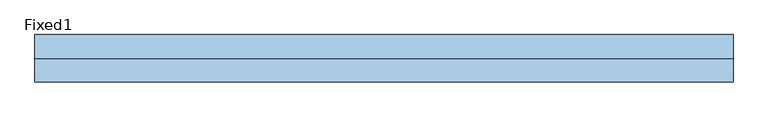
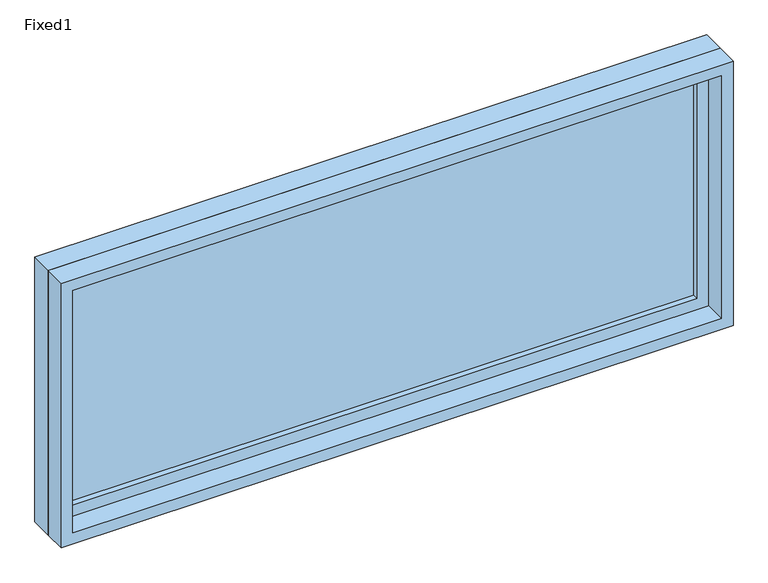
"""IFC4 building model written with IfcOpenShell, lengths in millimetres: window geometry, Fixed1."""

from ifc_helpers import new_model, si_unit, frame, origin, place, context, project, spatial, polyline, outline, extrude, source, transform, mapped, element, save


def fixed1_ce1a18b8(model_context):
    return source(origin(), model_context, "Body", "SweptSolid", [
        extrude(outline(polyline([(812.8, 14.2875), (-889.0, 14.2875), (-889.0, 26.9875), (812.8, 26.9875), (812.8, 14.2875)])), frame((0.0, 0.0, 1130.3), z_axis=(0.0, 0.0, 1.0), x_axis=(1.0, 0.0, 0.0)), (0.0, 0.0, 1.0), 635.0),
        extrude(outline(polyline([(1809.75, -933.45), (1085.85, -933.45), (1085.85, 857.25), (1809.75, 857.25), (1809.75, -933.45)]), holes=[polyline([(1765.3, -889.0), (1765.3, 812.8), (1130.3, 812.8), (1130.3, -889.0), (1765.3, -889.0)])]), frame((0.0, -1.5875, 0.0), z_axis=(0.0, 1.0, 0.0), x_axis=(0.0, 0.0, 1.0)), (0.0, 0.0, 1.0), 44.45),
        extrude(outline(polyline([(1828.8, -952.5), (1066.8, -952.5), (1066.8, 876.3), (1828.8, 876.3), (1828.8, -952.5)]), holes=[polyline([(1797.05, -920.75), (1797.05, 844.55), (1098.55, 844.55), (1098.55, -920.75), (1797.05, -920.75)])]), frame((0.0, -61.9125, 0.0), z_axis=(0.0, 1.0, 0.0), x_axis=(0.0, 0.0, 1.0)), (0.0, 0.0, 1.0), 60.325),
        extrude(outline(polyline([(1828.8, 876.3), (1828.8, -952.5), (1066.8, -952.5), (1066.8, 876.3), (1828.8, 876.3)]), holes=[polyline([(1809.75, 857.25), (1085.85, 857.25), (1085.85, -933.45), (1809.75, -933.45), (1809.75, 857.25)])]), frame((0.0, -1.5875, 0.0), z_axis=(0.0, 1.0, 0.0), x_axis=(0.0, 0.0, 1.0)), (0.0, 0.0, 1.0), 63.5),
    ])


if __name__ == "__main__":
    model = new_model("IFC4")
    model_context = context("Model", 3, world=origin())
    ifc_project = project(units=[si_unit("LENGTHUNIT", "METRE", prefix="MILLI")], contexts=[model_context])
    site = spatial("IfcSite", under=ifc_project)
    building = spatial("IfcBuilding", under=site)
    placement = place(None, origin())
    fixed1_shape = fixed1_ce1a18b8(model_context)
    element("IfcWindow", 1, ObjectType="Fixed1", at=placement, inside=building, context=model_context, shape_type="MappedRepresentation", body=[
        mapped(fixed1_shape, transform((0.0, 0.0, 0.0), x_axis=(1.0, 0.0, 0.0), y_axis=(0.0, 1.0, 0.0), z_axis=(0.0, 0.0, 1.0))),
    ])
    save(model, "model.ifc")
